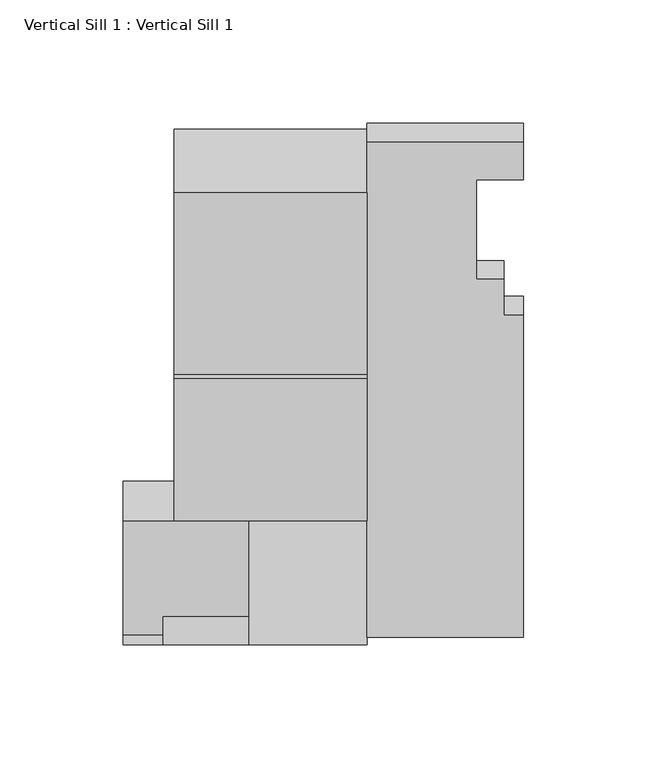
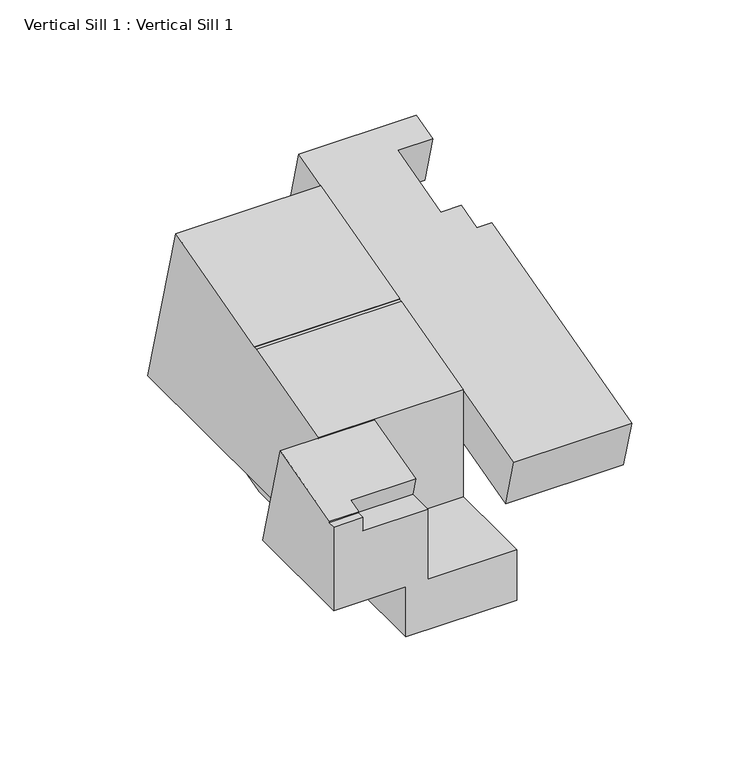
"""IFC4 building model written with IfcOpenShell, lengths in millimetres: proxy geometry, Vertical Sill 1 : Vertical Sill 1."""

from ifc_helpers import new_model, si_unit, frame, origin, place, context, project, spatial, polyline, outline, extrude, faceted_brep, source, transform, mapped, element, save


def vertical_sill_1_vertical_sill_1_be568b56(model_context):
    return source(origin(), model_context, "Body", "SolidModel", [
        extrude(outline(polyline([(5988.7061287, 930.1461488), (6062.3096766, 949.86816), (6088.130051, 853.5052108), (5929.380051, 853.5052108), (5929.380051, 914.2497742), (5987.0605258, 929.7052108), (5988.8242776, 929.7052108), (5988.7061287, 930.1461488)])), frame((-5223.9266598, 0.0, 0.0), z_axis=(1.0, 0.0, 0.0), x_axis=(0.0, 1.0, 0.0)), (0.0, 0.0, 1.0), 78.1533654),
        faceted_brep([(-5244.5387892, 5929.1569946, 914.1900064), (-5244.5387892, 5883.2389833, 901.8863123), (-5228.6637892, 5883.2389833, 901.8863123), (-5228.6637892, 5890.6072795, 903.8606413), (-5193.7800642, 5890.6072795, 903.8606413), (-5193.7800642, 5929.1569946, 914.1900064), (-5244.5387892, 5945.4174366, 853.5052108), (-5244.5387892, 5879.2177288, 853.5052108), (-5244.5387892, 5879.2177288, 901.0430342), (-5244.5387892, 5883.464939, 901.0430342), (-5228.6637892, 5883.464939, 901.0430342), (-5228.6637892, 5879.2177288, 901.0430342), (-5228.6637892, 5879.2177288, 893.4148127), (-5228.6637892, 5893.4062308, 893.4148127), (-5193.7800642, 5893.4062308, 893.4148127), (-5193.7800642, 5879.2177288, 893.4148127), (-5193.7800642, 5879.2177288, 853.5052108), (-5193.7800642, 5945.4174366, 853.5052108), (-5205.7529892, 5945.4174366, 853.5052108), (-5205.7529892, 5879.2177288, 853.5052108), (-5205.7529892, 5879.2177288, 824.9302108), (-5145.7732944, 5879.2177288, 824.9302108), (-5145.7732944, 5879.2177288, 853.5052108), (-5145.7732944, 6072.4020335, 853.5052108), (-5205.7529892, 6072.4020335, 853.5052108), (-5145.7732944, 6015.5361837, 824.9302108), (-5145.7732944, 6075.7272553, 841.1033427), (-5205.7529892, 6015.5361837, 824.9302108), (-5205.7529892, 6075.7272553, 841.1033427)], [[[0, 1, 2, 3, 4, 5]], [[1, 0, 6, 7, 8, 9]], [[2, 1, 9, 10]], [[3, 2, 10, 11, 12, 13]], [[4, 3, 13, 14]], [[5, 4, 14, 15, 16, 17]], [[0, 5, 17, 18, 6]], [[9, 8, 11, 10]], [[13, 12, 15, 14]], [[7, 6, 18, 19]], [[19, 20, 21, 22, 16, 15, 12, 11, 8, 7]], [[23, 24, 18, 17, 16, 22]], [[22, 21, 25, 26, 23]], [[21, 20, 27, 25]], [[20, 19, 18, 24, 28, 27]], [[28, 24, 23, 26]], [[27, 28, 26, 25]]]),
        extrude(outline(polyline([(0.0, 0.0), (15.875, 0.0), (15.875, -19.05), (57.531, -19.05), (57.531, -7.9248), (72.5932, -7.9248), (72.5932, 0.0), (207.7920798, 0.0), (207.7920798, -63.5), (0.0, -63.5), (0.0, 0.0)])), frame((-5082.2732944, 6090.4204267, 927.1971099), z_axis=(0.0, -0.2588190451025266, 0.9659258262890668), x_axis=(0.0, -0.9659258262890668, -0.2588190451025266)), (0.0, 0.0, 1.0), 29.1741503),
    ])


if __name__ == "__main__":
    model = new_model("IFC4")
    model_context = context("Model", 3, world=origin())
    ifc_project = project(units=[si_unit("LENGTHUNIT", "METRE", prefix="MILLI")], contexts=[model_context])
    site = spatial("IfcSite", under=ifc_project)
    building = spatial("IfcBuilding", under=site)
    placement = place(None, origin())
    vertical_sill_1_vertical_sill_1_shape = vertical_sill_1_vertical_sill_1_be568b56(model_context)
    element("IfcBuildingElementProxy", 1, Name="Vertical Sill 1 : Vertical Sill 1", ObjectType="Vertical Sill 1 : Vertical Sill 1", at=placement, inside=building, context=model_context, shape_type="MappedRepresentation", body=[
        mapped(vertical_sill_1_vertical_sill_1_shape, transform((0.0, 0.0, 0.0), x_axis=(1.0, 0.0, 0.0), y_axis=(0.0, 1.0, 0.0), z_axis=(0.0, 0.0, 1.0))),
    ])
    save(model, "model.ifc")
